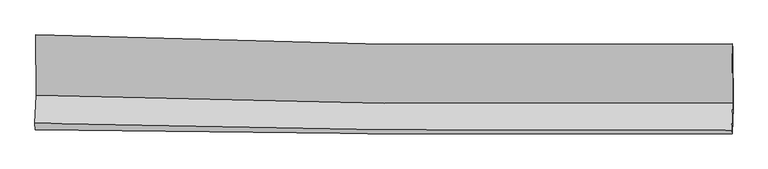
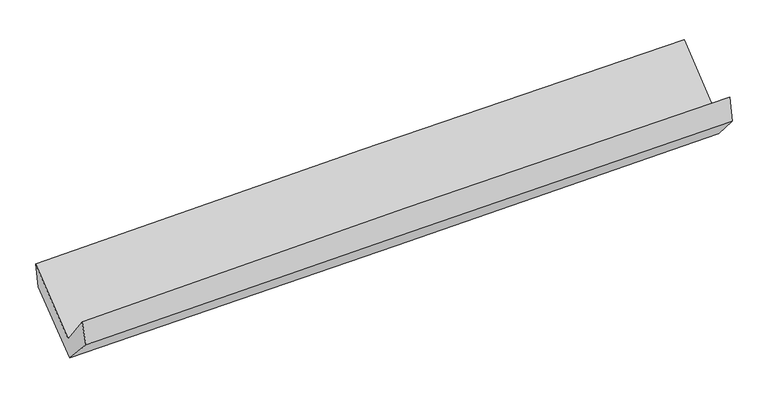
"""IFC4 building model written with IfcOpenShell, lengths in millimetres: proxy geometry."""

import ifcopenshell
import ifcopenshell.guid

model = None  # the IFC model being written
_history = None  # IfcOwnerHistory: only IFC2X3 demands one
_inside = {}  # id of a spatial element -> (the spatial element, [elements in it])
_under = {}  # id of a project, library or spatial element -> (it, [spatial elements below it])
_declared = {}  # id of a project -> (the project, [libraries it declares])
_typed = {}  # id of a type object -> (the type object, [elements of that type])
_made_of = {}  # id of a material, layer set ... -> (it, [elements and type objects made of it])


def new_model(schema):
    """Start an empty IFC model of exactly this schema.

    Asked for "IFC4X3", IfcOpenShell would pick the latest addendum, in which some entities
    have other attributes; the version numbers below select the first issue.
    IFC2X3 requires an IfcOwnerHistory on every rooted entity: one is made here for all.
    """
    global model, _history
    if schema == "IFC4X3":
        model = ifcopenshell.file(schema_version=(4, 3, 0, 0))
    else:
        model = ifcopenshell.file(schema=schema)
    _inside.clear()
    _under.clear()
    _declared.clear()
    _typed.clear()
    _made_of.clear()
    _history = None
    if model.schema == "IFC2X3":
        org = make("IfcOrganization", Name="unknown")
        user = make(
            "IfcPersonAndOrganization",
            ThePerson=make("IfcPerson", FamilyName="unknown"),
            TheOrganization=org,
        )
        app = make(
            "IfcApplication",
            ApplicationDeveloper=org,
            Version="unknown",
            ApplicationFullName="unknown",
            ApplicationIdentifier="unknown",
        )
        _history = make(
            "IfcOwnerHistory",
            OwningUser=user,
            OwningApplication=app,
            ChangeAction="ADDED",
            CreationDate=0,
        )
    return model


def make(cls, **values):
    """One entity of the class cls with the attributes given. An attribute that is None is left unset."""
    return model.create_entity(
        cls, **{name: value for name, value in values.items() if value is not None}
    )


def rooted(cls, **values):
    """An entity with a GlobalId (a new one), such as an element, a storey or a relation."""
    return make(cls, GlobalId=ifcopenshell.guid.new(), OwnerHistory=_history, **values)


def si_unit(unit_type, name, prefix=None):
    """IfcSIUnit, for example si_unit("LENGTHUNIT", "METRE", prefix="MILLI")."""
    return make("IfcSIUnit", UnitType=unit_type, Prefix=prefix, Name=name)


def assignment(units):
    """IfcUnitAssignment: the units of a project."""
    return None if units is None else make("IfcUnitAssignment", Units=units)


def point(xyz):
    """IfcCartesianPoint."""
    return None if xyz is None else make("IfcCartesianPoint", Coordinates=xyz)


def direction(xyz):
    """IfcDirection."""
    return None if xyz is None else make("IfcDirection", DirectionRatios=xyz)


def frame(location, z_axis=None, x_axis=None):
    """IfcAxis2Placement3D, a coordinate frame: its origin and axes. An axis left out is left unset."""
    return make(
        "IfcAxis2Placement3D",
        Location=point(location),
        Axis=direction(z_axis),
        RefDirection=direction(x_axis),
    )


def origin():
    """The frame at (0, 0, 0) with its axes left unset."""
    return frame((0.0, 0.0, 0.0))


def place(relative_to, where):
    """IfcLocalPlacement: puts the frame where relative to a parent placement (None: the world)."""
    return make(
        "IfcLocalPlacement", PlacementRelTo=relative_to, RelativePlacement=where
    )


def context(
    kind, dimensions, precision=None, world=None, true_north=None, identifier=None
):
    """IfcGeometricRepresentationContext, for example the 3D "Model" context."""
    return make(
        "IfcGeometricRepresentationContext",
        ContextIdentifier=identifier,
        ContextType=kind,
        CoordinateSpaceDimension=dimensions,
        Precision=precision,
        WorldCoordinateSystem=world,
        TrueNorth=true_north,
    )


def project(units=None, contexts=None):
    """IfcProject with its units and contexts."""
    return rooted(
        "IfcProject",
        Name="project",
        RepresentationContexts=contexts,
        UnitsInContext=assignment(units),
    )


def spatial(cls, under=None, at=None, **own):
    """A site, building, storey or space (cls), placed at a placement, below another one or the project."""
    s = rooted(cls, ObjectPlacement=at, **own)
    if under is not None:
        _under.setdefault(under.id(), (under, []))[1].append(s)
    return s


def shape(context_of_items, identifier, shape_type, items):
    """IfcShapeRepresentation: the items that make up one representation, for example the "Body"."""
    return make(
        "IfcShapeRepresentation",
        ContextOfItems=context_of_items,
        RepresentationIdentifier=identifier,
        RepresentationType=shape_type,
        Items=items,
    )


def source(mapping_origin, context_of_items, identifier, shape_type, items):
    """IfcRepresentationMap: a shape defined once, which mapped items show again and again."""
    return make(
        "IfcRepresentationMap",
        MappingOrigin=mapping_origin,
        MappedRepresentation=shape(context_of_items, identifier, shape_type, items),
    )


def transform(
    local_origin,
    x_axis=None,
    y_axis=None,
    z_axis=None,
    scale=None,
    scale2=None,
    scale3=None,
    uniform=True,
):
    """IfcCartesianTransformationOperator3D, or its non-uniform kind. x_axis, y_axis, z_axis: its Axis1, 2, 3."""
    if uniform:
        return make(
            "IfcCartesianTransformationOperator3D",
            Axis1=direction(x_axis),
            Axis2=direction(y_axis),
            LocalOrigin=point(local_origin),
            Scale=scale,
            Axis3=direction(z_axis),
        )
    return make(
        "IfcCartesianTransformationOperator3DnonUniform",
        Axis1=direction(x_axis),
        Axis2=direction(y_axis),
        LocalOrigin=point(local_origin),
        Scale=scale,
        Axis3=direction(z_axis),
        Scale2=scale2,
        Scale3=scale3,
    )


def mapped(mapping_source, mapping_target):
    """IfcMappedItem: shows the shape of a source again, moved by a transform."""
    return make(
        "IfcMappedItem", MappingSource=mapping_source, MappingTarget=mapping_target
    )


def made_of(thing, what):
    """Note that an element or type object is made of a material, layer set ...; save() writes the relation."""
    if what is not None:
        _made_of.setdefault(what.id(), (what, []))[1].append(thing)
    return thing


def element(
    cls,
    number,
    at=None,
    inside=None,
    cuts=None,
    type_object=None,
    material=None,
    context=None,
    identifier="Body",
    shape_type=None,
    held_by="IfcProductDefinitionShape",
    body=None,
    shapes=None,
    **own,
):
    """One element of the class cls, such as IfcWall. Its Tag is "e" and its number.

    at: its placement. inside: the storey or other place that contains it. cuts: it is an
    opening in that element (IfcRelVoidsElement). A single representation is given by context,
    identifier, shape_type and body (its items); several are given by shapes. held_by: the class
    of the entity that holds the representations. save() writes the other relations.
    """
    e = rooted(cls, Tag="e%d" % number, ObjectPlacement=at, **own)
    if body is not None:
        shapes = [shape(context, identifier, shape_type, body)]
    if shapes is not None:
        e.Representation = make(held_by, Representations=shapes)
    if inside is not None:
        _inside.setdefault(inside.id(), (inside, []))[1].append(e)
    if cuts is not None:
        rooted(
            "IfcRelVoidsElement", RelatingBuildingElement=cuts, RelatedOpeningElement=e
        )
    if type_object is not None:
        _typed.setdefault(type_object.id(), (type_object, []))[1].append(e)
    return made_of(e, material)


def aggregate(whole, parts):
    """IfcRelAggregates: a whole, such as a stair, and the parts it consists of."""
    return rooted("IfcRelAggregates", RelatingObject=whole, RelatedObjects=parts)


def save(model, path):
    """Write the relations noted so far, then the file.

    IfcRelAggregates (storeys below a building ...), IfcRelContainedInSpatialStructure (elements
    in a storey), IfcRelDefinesByType, IfcRelAssociatesMaterial and IfcRelDeclares: one each for
    every whole, place, type object, material and project.
    """
    for whole, parts in _under.values():
        aggregate(whole, parts)
    for where, things in _inside.values():
        rooted(
            "IfcRelContainedInSpatialStructure",
            RelatedElements=things,
            RelatingStructure=where,
        )
    for kind, things in _typed.values():
        rooted("IfcRelDefinesByType", RelatedObjects=things, RelatingType=kind)
    for what, things in _made_of.values():
        rooted("IfcRelAssociatesMaterial", RelatedObjects=things, RelatingMaterial=what)
    for by, libraries in _declared.values():
        rooted("IfcRelDeclares", RelatingContext=by, RelatedDefinitions=libraries)
    model.write(path)


def plane_surface(at):
    """IfcPlane: the flat surface through the origin of the frame at, square to its z axis."""
    return make("IfcPlane", Position=at)


def spline_curve(degree, points, multiplicities, knots, weights=None):
    """IfcBSplineCurveWithKnots; with weights, IfcRationalBSplineCurveWithKnots."""
    own = dict(
        Degree=degree,
        ControlPointsList=[point(p) for p in points],
        CurveForm="UNSPECIFIED",
        ClosedCurve=False,
        SelfIntersect=False,
        KnotMultiplicities=multiplicities,
        Knots=knots,
        KnotSpec="UNSPECIFIED",
    )
    if weights is None:
        return make("IfcBSplineCurveWithKnots", **own)
    return make("IfcRationalBSplineCurveWithKnots", WeightsData=weights, **own)


def spline_surface(u_degree, v_degree, points, u_multiplicities, v_multiplicities, u_knots, v_knots, weights=None):
    """IfcBSplineSurfaceWithKnots; with weights, IfcRationalBSplineSurfaceWithKnots. points: one row for each step in u."""
    own = dict(
        UDegree=u_degree,
        VDegree=v_degree,
        ControlPointsList=[[point(p) for p in row] for row in points],
        SurfaceForm="UNSPECIFIED",
        UClosed=False,
        VClosed=False,
        SelfIntersect=False,
        UMultiplicities=u_multiplicities,
        VMultiplicities=v_multiplicities,
        UKnots=u_knots,
        VKnots=v_knots,
        KnotSpec="UNSPECIFIED",
    )
    if weights is None:
        return make("IfcBSplineSurfaceWithKnots", **own)
    return make("IfcRationalBSplineSurfaceWithKnots", WeightsData=weights, **own)


def advanced_brep(points, edges, surfaces, faces):
    """IfcAdvancedBrep: a solid bounded by faces that lie on surfaces and meet in shared edges.

    An edge is (start, end): straight between two places in points (the first is 0);
    or (start, end, curve); or (start, end, curve, False) where it runs against its curve.
    A face is (place in surfaces, loops), or (place, loops, False) where it looks against
    its surface's normal. A loop lists edges by number (the first is 1), with a minus sign
    where the edge is run from its end to its start. The first loop is the outer one.
    """
    corners = [point(p) for p in points]
    vertices = [make("IfcVertexPoint", VertexGeometry=c) for c in corners]
    made = []
    for start, end, *more in edges:
        made.append(
            make(
                "IfcEdgeCurve",
                EdgeStart=vertices[start],
                EdgeEnd=vertices[end],
                EdgeGeometry=more[0] if more else make("IfcPolyline", Points=[corners[start], corners[end]]),
                SameSense=more[1] if len(more) > 1 else True,
            )
        )
    hull = []
    for where, loops, *sense in faces:
        bounds = []
        for j, loop in enumerate(loops):
            ring = [make("IfcOrientedEdge", EdgeElement=made[abs(k) - 1], Orientation=k > 0) for k in loop]
            bounds.append(
                make(
                    "IfcFaceOuterBound" if j == 0 else "IfcFaceBound",
                    Bound=make("IfcEdgeLoop", EdgeList=ring),
                    Orientation=True,
                )
            )
        hull.append(make("IfcAdvancedFace", Bounds=bounds, FaceSurface=surfaces[where], SameSense=sense[0] if sense else True))
    return make("IfcAdvancedBrep", Outer=make("IfcClosedShell", CfsFaces=hull))


def generic_models_d9627f39(model_context):
    return source(origin(), model_context, "Body", "AdvancedBrep", [
        advanced_brep(
        [(-3029.0116668, -1161.1881967, 2154.8595468), (-3024.6984534, -1684.4164437, 1724.1408188), (3015.8142108, -1747.2728278, 1892.32391), (3011.6292355, -1239.7965497, 2310.1460717), (-3034.6658125, -1928.2034925, 2046.1107603), (3006.2223167, -1987.5126443, 2199.5532837), (-3030.7504647, -1982.9150278, 1849.8954413), (3010.9971172, -2018.2456183, 1976.9462958), (-3020.8384154, -1705.468143, 1545.9392825), (3019.5815882, -1787.6307662, 1709.2181322), (-3024.6422732, -1201.3568346, 1945.5706494), (3015.7838167, -1276.675392, 2111.7558906)],
        [
            (0, 1),
            (1, 2, spline_curve(3, [(-3024.6984534, -1684.4164437, 1724.1408188), (-2018.951472084, -1720.289384272, 1783.046980176), (-1012.687993521, -1743.463680491, 1826.515279072), (1000.816285211, -1764.41440381, 1882.574602056), (2008.057027687, -1762.19223592, 1895.167333554), (3015.8142108, -1747.2728278, 1892.32391)], [4, 2, 4], [0.0, 9.915898194484779, 19.831248043962734])),
            (2, 3),
            (3, 0, spline_curve(3, [(3011.6292355, -1239.7965497, 2310.1460717), (2003.859228534, -1253.062520351, 2314.315411201), (996.601388217, -1253.145355319, 2303.460310227), (-1016.945636109, -1226.9440288, 2251.699796966), (-2023.234762939, -1200.658409631, 2210.792722918), (-3029.0116668, -1161.1881967, 2154.8595468)], [4, 2, 4], [0.0, 9.915349849477956, 19.831248043962734])),
            (1, 4),
            (4, 5, spline_curve(3, [(-3034.6658125, -1928.2034925, 2046.1107603), (-2028.648210171, -1956.59856592, 2096.673259761), (-1022.21813402, -1975.738412418, 2134.741394737), (991.41128785, -1995.507106367, 2185.887520445), (1998.610588056, -1996.136976607, 2198.966893456), (3006.2223167, -1987.5126443, 2199.5532837)], [4, 2, 4], [0.0, 9.915402318128235, 19.8302563186714])),
            (5, 2),
            (4, 6),
            (6, 7, spline_curve(3, [(-3030.7504647, -1982.9150278, 1849.8954413), (-2024.295644749, -2001.289104827, 1886.022974045), (-1017.575340886, -2013.420268029, 1914.674397879), (996.340548795, -2025.196441353, 1957.023855735), (2003.536105582, -2024.842141534, 1970.722717017), (3010.9971172, -2018.2456183, 1976.9462958)], [4, 2, 4], [0.0, 9.914458535801327, 19.82836880620835])),
            (7, 5),
            (6, 8),
            (8, 9, spline_curve(3, [(-3020.8384154, -1705.468143, 1545.9392825), (-2014.312903606, -1727.527042869, 1577.274154873), (-1007.667892156, -1745.403451457, 1606.548481111), (1005.805455701, -1772.790530275, 1660.974536578), (2012.633778902, -1782.301662385, 1686.126493538), (3019.5815882, -1787.6307662, 1709.2181322)], [4, 2, 4], [0.0, 9.913760752252031, 19.826973277696894])),
            (9, 7),
            (8, 10),
            (10, 11, spline_curve(3, [(-3024.6422732, -1201.3568346, 1945.5706494), (-2018.133976665, -1217.268064919, 1980.506000598), (-1011.497065578, -1231.500353572, 2011.82272924), (1001.978312067, -1256.606353634, 2067.217409466), (2008.816764354, -1267.480250861, 2091.295761192), (3015.7838167, -1276.675392, 2111.7558906)], [4, 2, 4], [0.0, 9.913726295812204, 19.826904366722665])),
            (11, 9),
            (10, 0),
            (3, 11),
        ],
        [
            spline_surface(3, 3, [[(-3029.0116668, -1161.1881967, 2154.8595468), (-2023.234762845, -1200.658409795, 2210.792722918), (-1016.945635995, -1226.944028962, 2251.699797037), (996.601388103, -1253.145355156, 2303.460310156), (2003.859228656, -1253.062520272, 2314.315411043), (3011.6292355, -1239.7965497, 2310.1460717)], [(-3027.573928979, -1335.597612391, 2011.286637456), (-2021.806999284, -1373.868734649, 2068.210808655), (-1015.526421795, -1399.117246083, 2109.971624379), (998.006353774, -1423.568371413, 2163.165074137), (2005.258495, -1422.772425484, 2174.599385237), (3013.024227258, -1408.955309058, 2170.872017812)], [(-3026.136191221, -1510.007028009, 1867.713728144), (-2020.379235785, -1547.079059429, 1925.628894423), (-1014.10720761, -1571.290463228, 1968.243451704), (999.411319429, -1593.991387696, 2022.869838101), (2006.657761369, -1592.482330724, 2034.883359395), (3014.419219042, -1578.114068442, 2031.597963888)], [(-3024.6984534, -1684.4164437, 1724.1408188), (-2018.951472224, -1720.289384282, 1783.04698016), (-1012.687993409, -1743.463680348, 1826.515279047), (1000.816285099, -1764.414403953, 1882.574602082), (2008.057027712, -1762.192235936, 1895.16733359), (3015.8142108, -1747.2728278, 1892.32391)]], [4, 4], [4, 2, 4], [0.0, 2.18382794534544], [0.0, 9.915898194484779, 19.831248043962734]),
            spline_surface(3, 3, [[(-3024.6984534, -1684.4164437, 1724.1408188), (-2018.951472224, -1720.289384282, 1783.04698016), (-1012.687993409, -1743.463680348, 1826.515279047), (1000.816285099, -1764.414403953, 1882.574602082), (2008.057027712, -1762.192235936, 1895.16733359), (3015.8142108, -1747.2728278, 1892.32391)], [(-3028.020906424, -1765.678793289, 1831.464132628), (-2022.183718224, -1799.059111447, 1887.589073375), (-1015.864706984, -1820.888591084, 1929.257317546), (997.681286025, -1841.44530471, 1983.678908236), (2004.908214547, -1840.173816203, 1996.433853598), (3012.616912781, -1827.352766626, 1994.73370125)], [(-3031.343359476, -1846.941142911, 1938.787446472), (-2025.415964252, -1877.828838646, 1992.131166604), (-1019.041420515, -1898.313501822, 2031.999356092), (994.546286994, -1918.47620547, 2084.783214435), (2001.75940134, -1918.15539649, 2097.700373557), (3009.419614719, -1907.432705474, 2097.14349245)], [(-3034.6658125, -1928.2034925, 2046.1107603), (-2028.648210252, -1956.598565812, 2096.673259818), (-1022.218134089, -1975.738412557, 2134.741394592), (991.411287919, -1995.507106228, 2185.887520589), (1998.610588175, -1996.136976757, 2198.966893566), (3006.2223167, -1987.5126443, 2199.5532837)]], [4, 4], [4, 2, 4], [0.0, 1.259013815866639], [0.0, 9.915402318128235, 19.8302563186714]),
            spline_surface(3, 3, [[(-3034.6658125, -1928.2034925, 2046.1107603), (-2028.648210252, -1956.598565812, 2096.673259818), (-1022.218134089, -1975.738412557, 2134.741394592), (991.411287919, -1995.507106228, 2185.887520589), (1998.610588175, -1996.136976757, 2198.966893566), (3006.2223167, -1987.5126443, 2199.5532837)], [(-3033.360696586, -1946.440670946, 1980.705653972), (-2027.197355154, -1971.495412189, 2026.456497935), (-1020.670536406, -1988.299031098, 2061.385728997), (993.054374936, -2005.403551225, 2109.599632335), (2000.252427359, -2005.705364998, 2122.885501366), (3007.813916871, -1997.756968966, 2125.350954397)], [(-3032.055580614, -1964.677849354, 1915.300547628), (-2025.746499998, -1986.392258528, 1956.239736036), (-1019.122938734, -2000.85964963, 1988.030063392), (994.697461942, -2015.299996214, 2033.311744071), (2001.89426653, -2015.27375324, 2046.804109174), (3009.405517029, -2008.001293634, 2051.148625103)], [(-3030.7504647, -1982.9150278, 1849.8954413), (-2024.2956449, -2001.289104905, 1886.022974152), (-1017.57534105, -2013.420268171, 1914.674397796), (996.340548959, -2025.196441211, 1957.023855818), (2003.536105713, -2024.842141481, 1970.722716974), (3010.9971172, -2018.2456183, 1976.9462958)]], [4, 4], [4, 2, 4], [0.0, 0.7448461536983085], [0.0, 9.914458535801327, 19.82836880620835]),
            spline_surface(3, 3, [[(-3030.7504647, -1982.9150278, 1849.8954413), (-2024.2956449, -2001.289104905, 1886.022974152), (-1017.57534105, -2013.420268171, 1914.674397796), (996.340548959, -2025.196441211, 1957.023855818), (2003.536105713, -2024.842141481, 1970.722716974), (3010.9971172, -2018.2456183, 1976.9462958)], [(-3027.446448252, -1890.432732862, 1748.576721712), (-2020.968064402, -1910.03508418, 1783.106701081), (-1014.272858068, -1924.081329311, 1811.965758919), (999.495517854, -1941.061137504, 1858.340749375), (2006.568663419, -1943.995315102, 1875.857309126), (3013.858607532, -1941.374000944, 1887.703574577)], [(-3024.142431848, -1797.950437938, 1647.258002088), (-2017.640483948, -1818.781063469, 1680.190427974), (-1010.970375084, -1834.742390477, 1709.257120059), (1002.650486752, -1856.925833822, 1759.65764295), (2009.601221129, -1863.148488691, 1780.991901348), (3016.720097868, -1864.502383556, 1798.460853423)], [(-3020.8384154, -1705.468143, 1545.9392825), (-2014.312903449, -1727.527042744, 1577.274154903), (-1007.667892101, -1745.403451617, 1606.548481182), (1005.805455647, -1772.790530115, 1660.974536508), (2012.633778835, -1782.301662312, 1686.1264935), (3019.5815882, -1787.6307662, 1709.2181322)]], [4, 4], [4, 2, 4], [0.0, 1.308479946324548], [0.0, 9.913760752252031, 19.826973277696894]),
            spline_surface(3, 3, [[(-3020.8384154, -1705.468143, 1545.9392825), (-2014.312903449, -1727.527042744, 1577.274154903), (-1007.667892101, -1745.403451617, 1606.548481182), (1005.805455647, -1772.790530115, 1660.974536508), (2012.633778835, -1782.301662312, 1686.1264935), (3019.5815882, -1787.6307662, 1709.2181322)], [(-3022.106368018, -1537.431040195, 1679.149738134), (-2015.586594525, -1557.440716765, 1711.684770147), (-1008.944283253, -1574.102418932, 1741.639897203), (1004.529741091, -1600.729137972, 1796.388827487), (2011.361440614, -1610.694525124, 1821.1829161), (3018.315664361, -1617.31230814, 1843.397385027)], [(-3023.374320582, -1369.393937405, 1812.360193766), (-2016.860285547, -1387.354390801, 1846.095385389), (-1010.220674371, -1402.801386226, 1876.731313232), (1003.254026568, -1428.667745808, 1931.803118474), (2010.089102412, -1439.087387917, 1956.239338621), (3017.049740539, -1446.99385006, 1977.576637773)], [(-3024.6422732, -1201.3568346, 1945.5706494), (-2018.133976623, -1217.268064823, 1980.506000633), (-1011.497065523, -1231.50035354, 2011.822729253), (1001.978312012, -1256.606353665, 2067.217409454), (2008.81676419, -1267.480250729, 2091.295761221), (3015.7838167, -1276.675392, 2111.7558906)]], [4, 4], [4, 2, 4], [0.0, 2.1512017760580338], [0.0, 9.913726295812204, 19.826904366722665]),
            spline_surface(3, 3, [[(-3024.6422732, -1201.3568346, 1945.5706494), (-2018.133976623, -1217.268064823, 1980.506000633), (-1011.497065523, -1231.50035354, 2011.822729253), (1001.978312012, -1256.606353665, 2067.217409454), (2008.81676419, -1267.480250729, 2091.295761221), (3015.7838167, -1276.675392, 2111.7558906)], [(-3026.098737741, -1187.967288617, 2015.333615197), (-2019.834238704, -1211.73151313, 2057.268241392), (-1013.313255662, -1229.981578689, 2091.781751862), (1000.18600406, -1255.452687504, 2145.965043035), (2007.164252343, -1262.674340576, 2165.635644466), (3014.398956297, -1264.382444566, 2177.885950938)], [(-3027.555202259, -1174.577742683, 2085.096581003), (-2021.534500764, -1206.194961488, 2134.030482159), (-1015.129445856, -1228.462803813, 2171.740774428), (998.393696055, -1254.299021317, 2224.712676574), (2005.511740504, -1257.868430425, 2239.975527797), (3013.014095903, -1252.089497134, 2244.016011362)], [(-3029.0116668, -1161.1881967, 2154.8595468), (-2023.234762845, -1200.658409795, 2210.792722918), (-1016.945635995, -1226.944028962, 2251.699797037), (996.601388103, -1253.145355156, 2303.460310156), (2003.859228656, -1253.062520272, 2314.315411043), (3011.6292355, -1239.7965497, 2310.1460717)]], [4, 4], [4, 2, 4], [0.0, 0.7813495781693857], [0.0, 9.914419673264058, 19.828291083282895]),
            plane_surface(frame((3013.3380475, -1676.1889664, 2033.3239307), z_axis=(0.999681187697723, -0.01061726922259258, 0.022908438565842362), x_axis=(-0.005838398555611165, 0.7855030520183268, 0.6188302419664053))),
            plane_surface(frame((-3027.4345143, -1610.5913564, 1877.7527498), z_axis=(-0.9996811876976933, 0.010617269223610143, -0.022908438566674044), x_axis=(0.020498803642426587, -0.18844926624630148, -0.9818689694151964))),
        ],
        [
            (0, [[1, 2, 3, 4]]),
            (1, [[5, 6, 7, -2]]),
            (2, [[8, 9, 10, -6]]),
            (3, [[11, 12, 13, -9]]),
            (4, [[14, 15, 16, -12]]),
            (5, [[17, -4, 18, -15]]),
            (6, [[-16, -18, -3, -7, -10, -13]]),
            (7, [[-17, -14, -11, -8, -5, -1]]),
        ],
    ),
    ])


if __name__ == "__main__":
    model = new_model("IFC4")
    model_context = context("Model", 3, world=origin())
    ifc_project = project(units=[si_unit("LENGTHUNIT", "METRE", prefix="MILLI")], contexts=[model_context])
    site = spatial("IfcSite", under=ifc_project)
    building = spatial("IfcBuilding", under=site)
    placement = place(None, origin())
    generic_models_shape = generic_models_d9627f39(model_context)
    element("IfcBuildingElementProxy", 1, Name="Generic Models", at=placement, inside=building, context=model_context, shape_type="MappedRepresentation", body=[
        mapped(generic_models_shape, transform((0.0, 0.0, 0.0), x_axis=(1.0, 0.0, 0.0), y_axis=(0.0, 1.0, 0.0), z_axis=(0.0, 0.0, 1.0))),
    ])
    save(model, "model.ifc")
